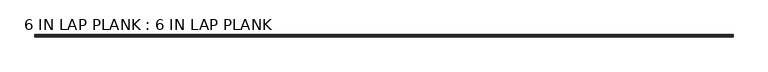
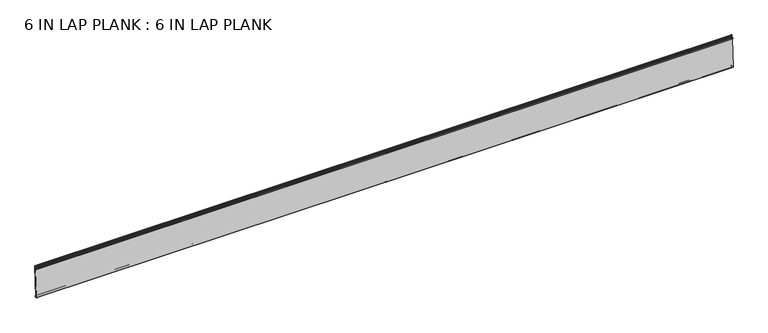
"""IFC4 building model written with IfcOpenShell, lengths in millimetres: proxy geometry, 6 IN LAP PLANK : 6 IN LAP PLANK."""

from ifc_helpers import new_model, si_unit, frame, origin, place, context, project, spatial, polyline, circle_curve, source, transform, mapped, element, save
from ifc_brep_helpers import plane_surface, cylinder_surface, revolved_surface, advanced_brep


def proxy_6_in_lap_plank_6_in_lap_plank_eeaafe94(model_context):
    return source(origin(), model_context, "Body", "AdvancedBrep", [
        advanced_brep(
        [(3657.6, 17.8966256, 80.1401615), (3657.6, 8.9162514, -73.4789625), (3657.6, 9.7127479, -73.9879036), (3657.6, 13.8095949, -72.6567574), (3657.6, 13.8095949, -67.4052828), (3657.6, 15.7605133, -67.4052828), (3657.6, 15.7605133, -69.939128), (3657.6, 16.8390798, -69.7489476), (3657.6, 16.8390798, -66.7837214), (3657.6, 12.5948106, -66.7837214), (3657.6, 12.5948106, -71.116264), (3657.6, 10.5211026, -70.5606156), (3657.6, 20.3203931, 97.0669682), (3657.6, 18.6669812, 96.6239378), (3657.6, 19.322986, 95.9679329), (3657.6, 19.0174347, 90.7411432), (3657.6, 18.2799694, 90.0036779), (3657.6, 18.0364896, 85.8386903), (3657.6, 18.728042, 85.1471379), (3657.6, 18.155879, 84.5749748), (3657.6, 18.0262563, 82.3576378), (3657.6, 16.3066365, 81.8968671), (3657.6, 15.5354073, 82.3421364), (3657.6, 15.5354073, 85.2268944), (3657.6, 14.064657, 85.2268944), (3657.6, 14.064657, 79.794273), (3657.6, 17.0461016, 80.4982675), (0.0, 17.8966256, 80.1401615), (0.0, 17.0911306, 80.6052142), (0.0, 14.064657, 79.794273), (0.0, 14.064657, 85.2268944), (0.0, 15.5354073, 85.2268944), (0.0, 15.5354073, 82.3421364), (0.0, 16.3066365, 81.8968671), (0.0, 18.0262563, 82.3576378), (0.0, 18.155879, 84.5749748), (0.0, 18.728042, 85.1471379), (0.0, 18.0364896, 85.8386903), (0.0, 18.2799694, 90.0036779), (0.0, 19.0174347, 90.7411432), (0.0, 19.322986, 95.9679329), (0.0, 18.6669812, 96.6239378), (0.0, 20.3203931, 97.0669682), (0.0, 10.5211026, -70.5606156), (0.0, 12.5948106, -71.116264), (0.0, 12.5948106, -66.7837214), (0.0, 16.8390798, -66.7837214), (0.0, 16.8390798, -69.7489476), (0.0, 15.7605133, -69.939128), (0.0, 15.7605133, -67.4052828), (0.0, 13.8095949, -67.4052828), (0.0, 13.8095949, -72.6567574), (0.0, 9.7127479, -73.9879036), (0.0, 8.9162514, -73.4789625)],
        [
            (0, 1),
            (1, 2, circle_curve(frame((3657.6, 9.4569046, -73.5105684), z_axis=(1.0, 0.0, 0.0), x_axis=(0.0, 0.0, 1.0)), 0.5415762)),
            (2, 3),
            (3, 4),
            (4, 5, circle_curve(frame((3657.6, 14.7850541, -67.4052828), z_axis=(-1.0, 0.0, 0.0), x_axis=(0.0, 0.0, 1.0)), 0.9754592)),
            (5, 6),
            (6, 7, circle_curve(frame((3657.6, 16.2830296, -69.7489476), z_axis=(1.0, 0.0, 0.0), x_axis=(0.0, 0.0, 1.0)), 0.5560502)),
            (7, 8),
            (8, 9, circle_curve(frame((3657.6, 14.7169452, -67.4466852), z_axis=(1.0, 0.0, 0.0), x_axis=(0.0, 0.0, 1.0)), 2.2232805)),
            (9, 10),
            (10, 11, circle_curve(frame((3657.6, 11.5579566, -70.8384398), z_axis=(-1.0, 0.0, 0.0), x_axis=(0.0, 0.0, 1.0)), 1.0734303)),
            (11, 12),
            (12, 13, circle_curve(frame((3657.6, 19.3657953, 97.3227519), z_axis=(1.0, 0.0, 0.0), x_axis=(0.0, 0.0, 1.0)), 0.9882724)),
            (13, 14),
            (14, 15),
            (15, 16),
            (16, 17),
            (17, 18),
            (18, 19),
            (19, 20),
            (20, 21),
            (21, 22, circle_curve(frame((3657.6, 15.9210219, 82.1195018), z_axis=(-1.0, 0.0, 0.0), x_axis=(0.0, 0.0, 1.0)), 0.4452694)),
            (22, 23),
            (23, 24, circle_curve(frame((3657.6, 14.8000322, 85.2268944), z_axis=(1.0, 0.0, 0.0), x_axis=(0.0, 0.0, 1.0)), 0.7353751)),
            (24, 25),
            (25, 26),
            (26, 0, circle_curve(frame((3657.6, 17.4938781, 80.3726878), z_axis=(-1.0, 0.0, 0.0), x_axis=(0.0, 0.0, 1.0)), 0.4650527)),
            (27, 28, circle_curve(frame((0.0, 17.4938781, 80.3726878), z_axis=(1.0, 0.0, 0.0), x_axis=(0.0, 0.0, 1.0)), 0.4650527)),
            (28, 29),
            (29, 30),
            (30, 31, circle_curve(frame((0.0, 14.8000322, 85.2268944), z_axis=(-1.0, 0.0, 0.0), x_axis=(0.0, 0.0, 1.0)), 0.7353751)),
            (31, 32),
            (32, 33, circle_curve(frame((0.0, 15.9210219, 82.1195018), z_axis=(1.0, 0.0, 0.0), x_axis=(0.0, 0.0, 1.0)), 0.4452694)),
            (33, 34),
            (34, 35),
            (35, 36),
            (36, 37),
            (37, 38),
            (38, 39),
            (39, 40),
            (40, 41),
            (41, 42, circle_curve(frame((0.0, 19.3657953, 97.3227519), z_axis=(-1.0, 0.0, 0.0), x_axis=(0.0, 0.0, 1.0)), 0.9882724)),
            (42, 43),
            (43, 44, circle_curve(frame((0.0, 11.5579566, -70.8384398), z_axis=(1.0, 0.0, 0.0), x_axis=(0.0, 0.0, 1.0)), 1.0734303)),
            (44, 45),
            (45, 46, circle_curve(frame((0.0, 14.7169452, -67.4466852), z_axis=(-1.0, 0.0, 0.0), x_axis=(0.0, 0.0, 1.0)), 2.2232805)),
            (46, 47),
            (47, 48, circle_curve(frame((0.0, 16.2830296, -69.7489476), z_axis=(-1.0, 0.0, 0.0), x_axis=(0.0, 0.0, 1.0)), 0.5560502)),
            (48, 49),
            (49, 50, circle_curve(frame((0.0, 14.7850541, -67.4052828), z_axis=(1.0, 0.0, 0.0), x_axis=(0.0, 0.0, 1.0)), 0.9754592)),
            (50, 51),
            (51, 52),
            (52, 53, circle_curve(frame((0.0, 9.4569046, -73.5105684), z_axis=(-1.0, 0.0, 0.0), x_axis=(0.0, 0.0, 1.0)), 0.5415762)),
            (53, 27),
            (26, 28),
            (27, 0),
            (25, 29),
            (24, 30),
            (23, 31),
            (22, 32),
            (21, 33),
            (20, 34),
            (19, 35),
            (18, 36),
            (17, 37),
            (16, 38),
            (15, 39),
            (14, 40),
            (13, 41),
            (12, 42),
            (11, 43),
            (10, 44),
            (9, 45),
            (8, 46),
            (7, 47),
            (6, 48),
            (5, 49),
            (4, 50),
            (3, 51),
            (2, 52),
            (1, 53),
        ],
        [
            plane_surface(frame((3657.6, 8.9162514, -73.4789625), z_axis=(1.0, 0.0, 0.0), x_axis=(0.0, -0.05835906558765847, -0.9982956573399162))),
            plane_surface(frame((0.0, 8.9162514, -73.4789625), z_axis=(-1.0, 0.0, 0.0), x_axis=(0.0, 0.05835906558765847, 0.9982956573399162))),
            revolved_surface(polyline([(0.0, 17.4938781, 80.8377405), (3657.6, 17.4938781, 80.8377405)]), (0.0, 17.4938781, 80.3726878), (-1.0, 0.0, 0.0)),
            plane_surface(frame((3657.6, 14.064657, 79.794273), z_axis=(0.0, 0.2298057506060902, -0.973236516468824), x_axis=(-1.0, 0.0, 0.0))),
            plane_surface(frame((3657.6, 14.064657, 85.2268944), z_axis=(0.0, -1.0, 0.0), x_axis=(-1.0, 0.0, 0.0))),
            cylinder_surface(frame((0.0, 14.8000322, 85.2268944), z_axis=(1.0, 0.0, 0.0), x_axis=(0.0, 0.0, 1.0)), 0.7353751),
            plane_surface(frame((3657.6, 15.5354073, 82.3421364), z_axis=(0.0, 1.0, 0.0), x_axis=(-1.0, 0.0, 0.0))),
            revolved_surface(polyline([(0.0, 15.9210219, 82.5647712), (3657.6, 15.9210219, 82.5647712)]), (0.0, 15.9210219, 82.1195018), (-1.0, 0.0, 0.0)),
            plane_surface(frame((3657.6, 18.0262563, 82.3576378), z_axis=(0.0, -0.2588190451025343, 0.9659258262890646), x_axis=(-1.0, 0.0, 0.0))),
            plane_surface(frame((3657.6, 18.155879, 84.5749748), z_axis=(0.0, -0.9982956573399163, 0.05835906558765603), x_axis=(-1.0, 0.0, 0.0))),
            plane_surface(frame((3657.6, 18.728042, 85.1471379), z_axis=(0.0, -0.707106781186558, 0.707106781186537), x_axis=(-1.0, 0.0, 0.0))),
            plane_surface(frame((3657.6, 18.0364896, 85.8386903), z_axis=(0.0, -0.7071067811865314, -0.7071067811865638), x_axis=(-1.0, 0.0, 0.0))),
            plane_surface(frame((3657.6, 18.2799694, 90.0036779), z_axis=(0.0, -0.9982956573399163, 0.05835906558765679), x_axis=(-1.0, 0.0, 0.0))),
            plane_surface(frame((3657.6, 19.0174347, 90.7411432), z_axis=(0.0, -0.7071067811865466, 0.7071067811865486), x_axis=(-1.0, 0.0, 0.0))),
            plane_surface(frame((3657.6, 19.322986, 95.9679329), z_axis=(0.0, -0.9982956573399163, 0.05835906558765764), x_axis=(-1.0, 0.0, 0.0))),
            plane_surface(frame((3657.6, 18.6669812, 96.6239378), z_axis=(0.0, -0.7071067811865498, -0.7071067811865452), x_axis=(-1.0, 0.0, 0.0))),
            cylinder_surface(frame((0.0, 19.3657953, 97.3227519), z_axis=(1.0, 0.0, 0.0), x_axis=(0.0, 0.0, 1.0)), 0.9882724),
            plane_surface(frame((3657.6, 10.5211026, -70.5606156), z_axis=(0.0, 0.9982956573399161, -0.05835906558766028), x_axis=(-1.0, 0.0, 0.0))),
            revolved_surface(polyline([(0.0, 11.5579566, -69.7650095), (3657.6, 11.5579566, -69.7650095)]), (0.0, 11.5579566, -70.8384398), (-1.0, 0.0, 0.0)),
            plane_surface(frame((3657.6, 12.5948106, -66.7837214), z_axis=(0.0, -1.0, 0.0), x_axis=(-1.0, 0.0, 0.0))),
            cylinder_surface(frame((0.0, 14.7169452, -67.4466852), z_axis=(1.0, 0.0, 0.0), x_axis=(0.0, 0.0, 1.0)), 2.2232805),
            plane_surface(frame((3657.6, 16.8390798, -69.7489476), z_axis=(0.0, 1.0, 0.0), x_axis=(-1.0, 0.0, 0.0))),
            cylinder_surface(frame((0.0, 16.2830296, -69.7489476), z_axis=(1.0, 0.0, 0.0), x_axis=(0.0, 0.0, 1.0)), 0.5560502),
            plane_surface(frame((3657.6, 15.7605133, -67.4052828), z_axis=(0.0, -1.0, 0.0), x_axis=(-1.0, 0.0, 0.0))),
            revolved_surface(polyline([(0.0, 14.7850541, -66.42982359999999), (3657.6, 14.7850541, -66.42982359999999)]), (0.0, 14.7850541, -67.4052828), (-1.0, 0.0, 0.0)),
            plane_surface(frame((3657.6, 13.8095949, -72.6567574), z_axis=(0.0, 1.0, 0.0), x_axis=(-1.0, 0.0, 0.0))),
            plane_surface(frame((3657.6, 9.7127479, -73.9879036), z_axis=(0.0, 0.30901699437494634, -0.951056516295154), x_axis=(-1.0, 0.0, 0.0))),
            cylinder_surface(frame((0.0, 9.4569046, -73.5105684), z_axis=(1.0, 0.0, 0.0), x_axis=(0.0, 0.0, 1.0)), 0.5415762),
            plane_surface(frame((3657.6, 17.8966256, 80.1401615), z_axis=(0.0, -0.9982956573399162, 0.05835906558765847), x_axis=(-1.0, 0.0, 0.0))),
        ],
        [
            (0, [[1, 2, 3, 4, 5, 6, 7, 8, 9, 10, 11, 12, 13, 14, 15, 16, 17, 18, 19, 20, 21, 22, 23, 24, 25, 26, 27]]),
            (1, [[28, 29, 30, 31, 32, 33, 34, 35, 36, 37, 38, 39, 40, 41, 42, 43, 44, 45, 46, 47, 48, 49, 50, 51, 52, 53, 54]]),
            (2, [[-27, 55, -28, 56]]),
            (3, [[-26, 57, -29, -55]]),
            (4, [[-25, 58, -30, -57]]),
            (5, [[-24, 59, -31, -58]]),
            (6, [[-23, 60, -32, -59]]),
            (7, [[-22, 61, -33, -60]]),
            (8, [[-21, 62, -34, -61]]),
            (9, [[-20, 63, -35, -62]]),
            (10, [[-19, 64, -36, -63]]),
            (11, [[-18, 65, -37, -64]]),
            (12, [[-17, 66, -38, -65]]),
            (13, [[-16, 67, -39, -66]]),
            (14, [[-15, 68, -40, -67]]),
            (15, [[-14, 69, -41, -68]]),
            (16, [[-13, 70, -42, -69]]),
            (17, [[-12, 71, -43, -70]]),
            (18, [[-11, 72, -44, -71]]),
            (19, [[-10, 73, -45, -72]]),
            (20, [[-9, 74, -46, -73]]),
            (21, [[-8, 75, -47, -74]]),
            (22, [[-7, 76, -48, -75]]),
            (23, [[-6, 77, -49, -76]]),
            (24, [[-5, 78, -50, -77]]),
            (25, [[-4, 79, -51, -78]]),
            (26, [[-3, 80, -52, -79]]),
            (27, [[-2, 81, -53, -80]]),
            (28, [[-1, -56, -54, -81]]),
        ],
    ),
    ])


if __name__ == "__main__":
    model = new_model("IFC4")
    model_context = context("Model", 3, world=origin())
    ifc_project = project(units=[si_unit("LENGTHUNIT", "METRE", prefix="MILLI")], contexts=[model_context])
    site = spatial("IfcSite", under=ifc_project)
    building = spatial("IfcBuilding", under=site)
    placement = place(None, origin())
    proxy_6_in_lap_plank_6_in_lap_plank_shape = proxy_6_in_lap_plank_6_in_lap_plank_eeaafe94(model_context)
    element("IfcBuildingElementProxy", 1, Name="6 IN LAP PLANK : 6 IN LAP PLANK", ObjectType="6 IN LAP PLANK : 6 IN LAP PLANK", at=placement, inside=building, context=model_context, shape_type="MappedRepresentation", body=[
        mapped(proxy_6_in_lap_plank_6_in_lap_plank_shape, transform((0.0, 0.0, 0.0), x_axis=(1.0, 0.0, 0.0), y_axis=(0.0, 1.0, 0.0), z_axis=(0.0, 0.0, 1.0))),
    ])
    save(model, "model.ifc")
